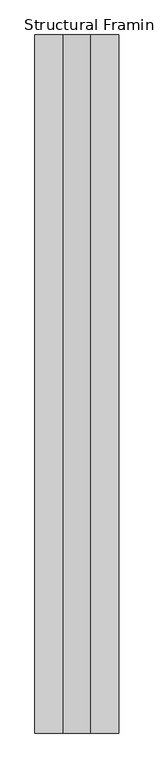
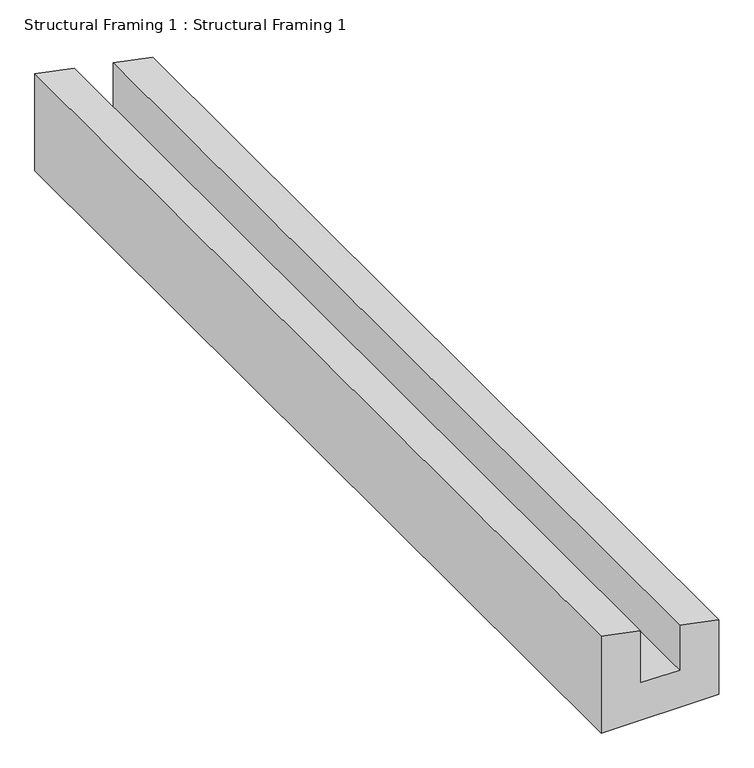
"""IFC4 building model written with IfcOpenShell, lengths in millimetres: beam geometry, Structural Framing 1 : Structural Framing 1."""

from ifc_helpers import new_model, si_unit, frame, origin, place, context, project, spatial, polyline, outline, extrude, source, transform, mapped, element, save


def structural_framing_1_structural_framing_1_0be58cec(model_context):
    return source(origin(), model_context, "Body", "SweptSolid", [
        extrude(outline(polyline([(-3230.86, -21465.6912908), (-3471.26, -21465.6912908), (-3471.26, -21665.6912908), (-3190.46, -21665.6912908), (-3150.06, -21865.6912908), (-3671.26, -21865.6912908), (-3671.26, -21265.6912908), (-3271.26, -21265.6912908), (-3230.86, -21465.6912908)])), frame((0.0, 11850.9327501, 0.0), z_axis=(0.0, 1.0, 0.0), x_axis=(0.0, 0.0, 1.0)), (0.0, 0.0, 1.0), 5000.0),
    ])


if __name__ == "__main__":
    model = new_model("IFC4")
    model_context = context("Model", 3, world=origin())
    ifc_project = project(units=[si_unit("LENGTHUNIT", "METRE", prefix="MILLI")], contexts=[model_context])
    site = spatial("IfcSite", under=ifc_project)
    building = spatial("IfcBuilding", under=site)
    placement = place(None, origin())
    structural_framing_1_structural_framing_1_shape = structural_framing_1_structural_framing_1_0be58cec(model_context)
    element("IfcBeam", 1, ObjectType="Structural Framing 1 : Structural Framing 1", at=placement, inside=building, context=model_context, shape_type="MappedRepresentation", body=[
        mapped(structural_framing_1_structural_framing_1_shape, transform((0.0, 0.0, 0.0), x_axis=(1.0, 0.0, 0.0), y_axis=(0.0, 1.0, 0.0), z_axis=(0.0, 0.0, 1.0))),
    ])
    save(model, "model.ifc")
